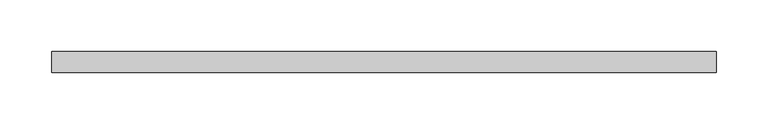
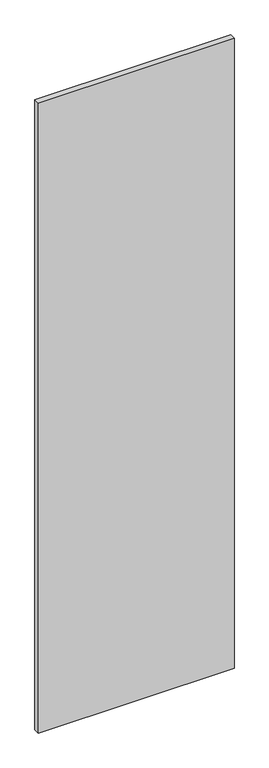
"""IFC4 building model written with IfcOpenShell, lengths in millimetres: plate geometry."""

from ifc_helpers import new_model, si_unit, origin, origin_with_axes, place, context, project, spatial, polyline, outline, extrude, source, transform, mapped, element, save


def plate_1d6bf4d9(model_context):
    return source(origin(), model_context, "Body", "SweptSolid", [
        extrude(outline(polyline([(319.5, 20.0), (-319.5, 20.0), (-319.5, 40.0), (319.5, 40.0), (319.5, 20.0)])), origin_with_axes(), (0.0, 0.0, 1.0), 2175.0),
    ])


if __name__ == "__main__":
    model = new_model("IFC4")
    model_context = context("Model", 3, world=origin())
    ifc_project = project(units=[si_unit("LENGTHUNIT", "METRE", prefix="MILLI")], contexts=[model_context])
    site = spatial("IfcSite", under=ifc_project)
    building = spatial("IfcBuilding", under=site)
    placement = place(None, origin())
    plate_shape = plate_1d6bf4d9(model_context)
    element("IfcPlate", 1, at=placement, inside=building, context=model_context, shape_type="MappedRepresentation", body=[
        mapped(plate_shape, transform((0.0, 0.0, 0.0), x_axis=(1.0, 0.0, 0.0), y_axis=(0.0, 1.0, 0.0), z_axis=(0.0, 0.0, 1.0))),
    ])
    save(model, "model.ifc")
